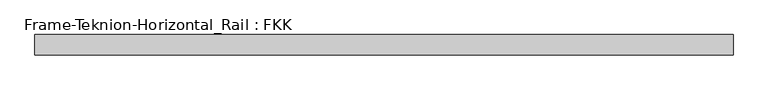
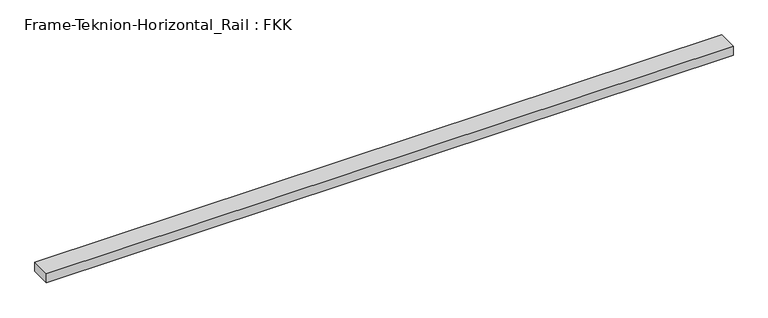
"""IFC4 building model written with IfcOpenShell, lengths in millimetres: proxy geometry, Frame-Teknion-Horizontal_Rail : FKK."""

from ifc_helpers import new_model, si_unit, frame, origin, place, context, project, spatial, polyline, outline, extrude, source, transform, mapped, element, save


def frame_teknion_horizontal_rail_fkk_aab90c89(model_context):
    return source(origin(), model_context, "Body", "SweptSolid", [
        extrude(outline(polyline([(-1002.0101562, -29.2199219), (-1002.0101562, 29.2199219), (1002.0101563, 29.2199219), (1002.0101563, -29.2199219), (-1002.0101562, -29.2199219)])), frame((0.0, 0.0, -13.9898438), z_axis=(0.0, 0.0, 1.0), x_axis=(1.0, 0.0, 0.0)), (0.0, 0.0, 1.0), 27.9796875),
    ])


if __name__ == "__main__":
    model = new_model("IFC4")
    model_context = context("Model", 3, world=origin())
    ifc_project = project(units=[si_unit("LENGTHUNIT", "METRE", prefix="MILLI")], contexts=[model_context])
    site = spatial("IfcSite", under=ifc_project)
    building = spatial("IfcBuilding", under=site)
    placement = place(None, origin())
    frame_teknion_horizontal_rail_fkk_shape = frame_teknion_horizontal_rail_fkk_aab90c89(model_context)
    element("IfcBuildingElementProxy", 1, Name="Frame-Teknion-Horizontal_Rail : FKK", ObjectType="Frame-Teknion-Horizontal_Rail : FKK", at=placement, inside=building, context=model_context, shape_type="MappedRepresentation", body=[
        mapped(frame_teknion_horizontal_rail_fkk_shape, transform((0.0, 0.0, 0.0), x_axis=(1.0, 0.0, 0.0), y_axis=(0.0, 1.0, 0.0), z_axis=(0.0, 0.0, 1.0))),
    ])
    save(model, "model.ifc")
